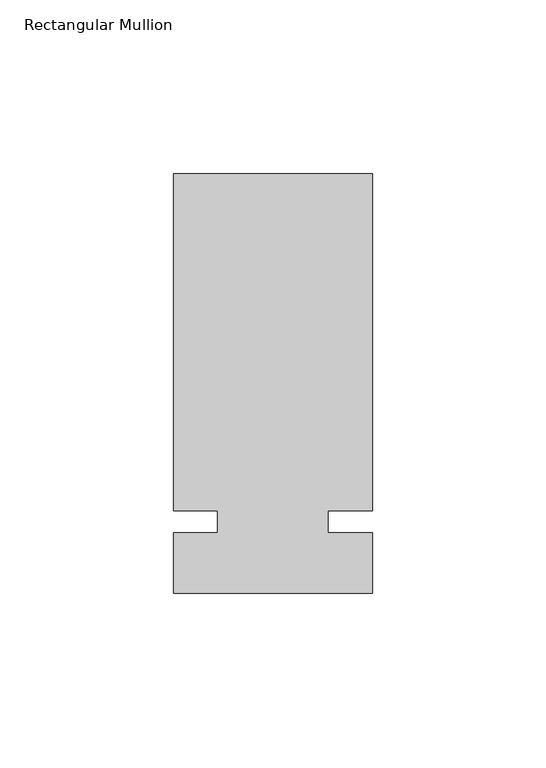
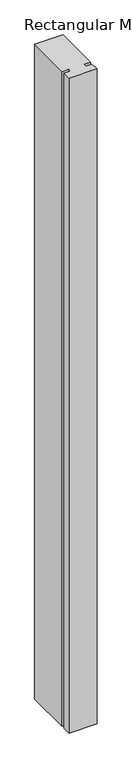
"""IFC4 building model written with IfcOpenShell, lengths in millimetres: member geometry, Rectangular Mullion."""

from ifc_helpers import new_model, si_unit, frame, origin, place, context, project, spatial, polyline, outline, extrude, source, transform, mapped, element, save


def rectangular_mullion_5cdaf6e3(model_context):
    return source(origin(), model_context, "Body", "SweptSolid", [
        extrude(outline(polyline([(32.9094027, 100.0125), (32.9094027, 3.175), (20.2076322, 3.175), (20.2076322, -3.175), (32.9094027, -3.175), (32.9094027, -20.6375), (-24.2405973, -20.6375), (-24.2405973, -3.175), (-11.5405973, -3.175), (-11.5405973, 3.175), (-24.2405973, 3.175), (-24.2405973, 100.0125), (32.9094027, 100.0125)])), frame((0.0, 0.0, -1407.482264), z_axis=(0.0, 0.0, 1.0), x_axis=(1.0, 0.0, 0.0)), (0.0, 0.0, 1.0), 1407.482264),
    ])


if __name__ == "__main__":
    model = new_model("IFC4")
    model_context = context("Model", 3, world=origin())
    ifc_project = project(units=[si_unit("LENGTHUNIT", "METRE", prefix="MILLI")], contexts=[model_context])
    site = spatial("IfcSite", under=ifc_project)
    building = spatial("IfcBuilding", under=site)
    placement = place(None, origin())
    rectangular_mullion_shape = rectangular_mullion_5cdaf6e3(model_context)
    element("IfcMember", 1, ObjectType="Rectangular Mullion", at=placement, inside=building, context=model_context, shape_type="MappedRepresentation", body=[
        mapped(rectangular_mullion_shape, transform((0.0, 0.0, 0.0), x_axis=(1.0, 0.0, 0.0), y_axis=(0.0, 1.0, 0.0), z_axis=(0.0, 0.0, 1.0))),
    ])
    save(model, "model.ifc")
